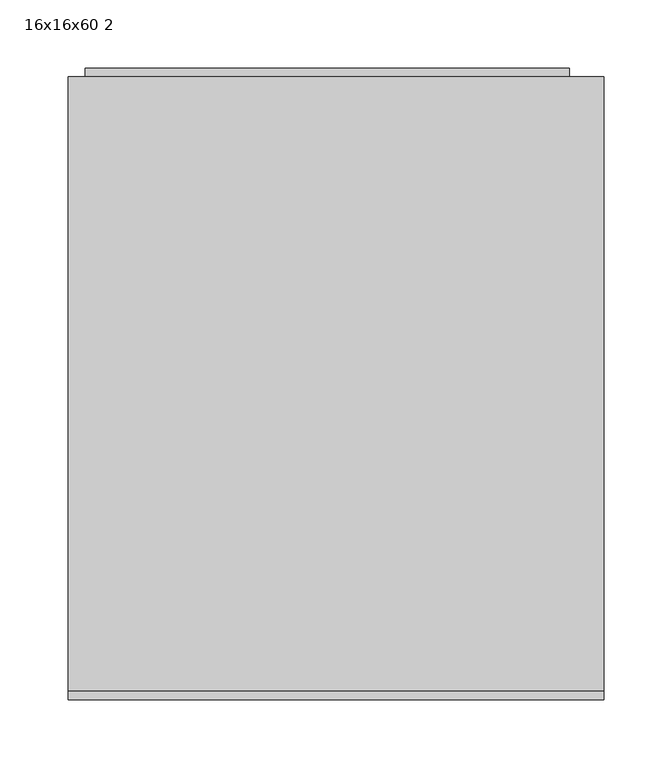
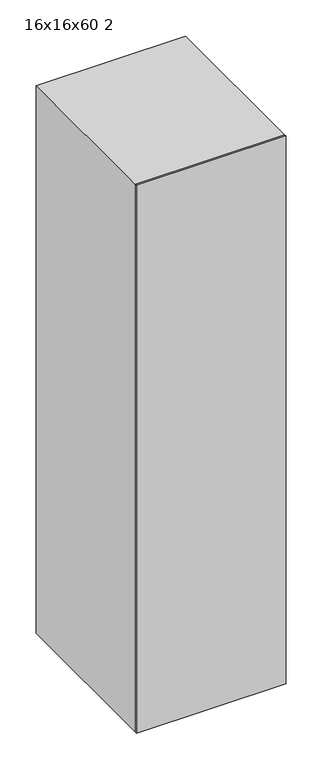
"""IFC4 building model written with IfcOpenShell, lengths in millimetres: furniture geometry, 16x16x60 2."""

from ifc_helpers import new_model, si_unit, point, frame, frame_2d, origin, origin_with_axes, place, context, project, spatial, polyline, circle_curve, trimmed, segment, composite_curve, outline, extrude, source, transform, mapped, element, save
from ifc_brep_helpers import plane_surface, cylinder_surface, revolved_surface, advanced_brep


def furniture_16x16x60_2_038925af(model_context):
    return source(origin(), model_context, "Body", "SolidModel", [
        extrude(outline(polyline([(1498.6, 177.8), (1498.6, -177.8), (0.0, -177.8), (0.0, 177.8), (1498.6, 177.8)]), holes=[polyline([(1375.3615171, 76.2), (1362.6615171, 76.2), (1362.6615171, -76.2), (1375.3615171, -76.2), (1375.3615171, 76.2)]), polyline([(1349.9615171, 76.2), (1337.2615171, 76.2), (1337.2615171, -76.2), (1349.9615171, -76.2), (1349.9615171, 76.2)]), polyline([(1324.5615171, 76.2), (1311.8615171, 76.2), (1311.8615171, -76.2), (1324.5615171, -76.2), (1324.5615171, 76.2)])]), frame((0.0, 298.45, 0.0), z_axis=(0.0, 1.0, 0.0), x_axis=(0.0, 0.0, 1.0)), (0.0, 0.0, 1.0), 6.35),
        extrude(outline(polyline([(1524.0, 203.2), (1524.0, -190.5), (0.0, -190.5), (0.0, 203.2), (1524.0, 203.2)]), holes=[polyline([(76.2, -177.8), (1498.6, -177.8), (1498.6, 177.8), (76.2, 177.8), (76.2, -177.8)])]), frame((0.0, -146.05, 0.0), z_axis=(0.0, 1.0, 0.0), x_axis=(0.0, 0.0, 1.0)), (0.0, 0.0, 1.0), 450.85),
        extrude(outline(polyline([(203.2, -146.05), (203.2, -152.4), (-190.5, -152.4), (-190.5, -146.05), (203.2, -146.05)])), origin_with_axes(), (0.0, 0.0, 1.0), 1524.0),
        extrude(outline(polyline([(340.1012595, -13.8620087), (365.1104902, -13.8620087), (365.1104902, -15.8769126), (361.782846, -18.6580905), (358.8581826, -23.2404703), (355.9029902, -23.2404703), (357.4813316, -19.9494607), (359.5908749, -16.9881626), (340.1012595, -16.9881626), (340.1012595, -13.8620087)])), frame((0.0, 304.8, 0.0), z_axis=(0.0, 1.0, 0.0), x_axis=(0.0, 0.0, 1.0)), (0.0, 0.0, 1.0), 3.175),
        extrude(outline(polyline([(352.4043845, -6.4373933), (342.0917402, -3.9462395), (339.7104902, 1.7687605), (341.0812354, 6.3450345), (345.2392643, 9.0651547), (352.4043845, 9.9749143), (358.2811874, 9.4070778), (361.9812835, 7.9416932), (364.3045287, 5.4200105), (365.1104902, 1.7687605), (363.7489037, -2.7891962), (359.6000335, -5.5184751), (352.4043845, -6.4373933)]), holes=[polyline([(352.4104902, -3.3112395), (360.3113556, -1.7970087), (361.9843364, 1.7321259), (360.0854422, 5.432222), (352.4104902, 6.8487605), (344.6531104, 5.3833759), (342.8366441, 1.7687605), (344.6470047, -1.8458549), (352.4104902, -3.3112395)])]), frame((0.0, 304.8, 0.0), z_axis=(0.0, 1.0, 0.0), x_axis=(0.0, 0.0, 1.0)), (0.0, 0.0, 1.0), 3.175),
        extrude(outline(polyline([(340.1012595, 24.4333759), (365.1104902, 24.4333759), (365.1104902, 22.418472), (361.782846, 19.6372942), (358.8581826, 15.0549143), (355.9029902, 15.0549143), (357.4813316, 18.345924), (359.5908749, 21.307222), (340.1012595, 21.307222), (340.1012595, 24.4333759)])), frame((0.0, 304.8, 0.0), z_axis=(0.0, 1.0, 0.0), x_axis=(0.0, 0.0, 1.0)), (0.0, 0.0, 1.0), 3.175),
        advanced_brep(
        [(-158.75, 57.15, 1105.5799451), (-165.1, 57.15, 1105.5799451), (-165.1, 95.25, 1105.5799451), (-158.75, 95.25, 1105.5799451), (-146.05, 62.3205445, 1105.5799451), (-158.75, 62.3205445, 1105.5799451), (-158.75, 90.0794555, 1105.5799451), (-146.05, 90.0794555, 1105.5799451), (-165.1, 63.5, 1105.5799451), (-146.05, 63.5, 1105.5799451), (-146.05, 88.9, 1105.5799451), (-165.1, 88.9, 1105.5799451)],
        [
            (0, 1),
            (1, 2, circle_curve(frame((-165.1, 76.2, 1105.5799451), z_axis=(1.0, 0.0, 0.0), x_axis=(0.0, 1.0, 0.0)), 19.05)),
            (2, 3),
            (3, 0, circle_curve(frame((-158.75, 76.2, 1105.5799451), z_axis=(-1.0, 0.0, 0.0), x_axis=(0.0, 1.0, 0.0)), 19.05)),
            (4, 5),
            (5, 6, circle_curve(frame((-158.75, 76.2, 1105.5799451), z_axis=(1.0, 0.0, 0.0), x_axis=(0.0, 1.0, 0.0)), 13.8794555)),
            (6, 7),
            (7, 4, circle_curve(frame((-146.05, 76.2, 1105.5799451), z_axis=(-1.0, 0.0, 0.0), x_axis=(0.0, 1.0, 0.0)), 13.8794555)),
            (8, 9),
            (9, 10, circle_curve(frame((-146.05, 76.2, 1105.5799451), z_axis=(1.0, 0.0, 0.0), x_axis=(0.0, 1.0, 0.0)), 12.7)),
            (10, 11),
            (11, 8, circle_curve(frame((-165.1, 76.2, 1105.5799451), z_axis=(-1.0, 0.0, 0.0), x_axis=(0.0, 1.0, 0.0)), 12.7)),
            (1, 2, circle_curve(frame((-165.1, 76.2, 1105.5799451), z_axis=(-1.0, 0.0, 0.0), x_axis=(0.0, -1.0, 0.0)), 19.05)),
            (11, 8, circle_curve(frame((-165.1, 76.2, 1105.5799451), z_axis=(1.0, 0.0, 0.0), x_axis=(0.0, -1.0, 0.0)), 12.7)),
            (0, 3, circle_curve(frame((-158.75, 76.2, 1105.5799451), z_axis=(-1.0, 0.0, 0.0), x_axis=(0.0, -1.0, 0.0)), 19.05)),
            (5, 6, circle_curve(frame((-158.75, 76.2, 1105.5799451), z_axis=(-1.0, 0.0, 0.0), x_axis=(0.0, -1.0, 0.0)), 13.8794555)),
            (4, 7, circle_curve(frame((-146.05, 76.2, 1105.5799451), z_axis=(-1.0, 0.0, 0.0), x_axis=(0.0, -1.0, 0.0)), 13.8794555)),
            (9, 10, circle_curve(frame((-146.05, 76.2, 1105.5799451), z_axis=(-1.0, 0.0, 0.0), x_axis=(0.0, -1.0, 0.0)), 12.7)),
        ],
        [
            cylinder_surface(frame((0.0, 76.2, 1105.5799451), z_axis=(1.0, 0.0, 0.0), x_axis=(0.0, 1.0, 0.0)), 19.05),
            cylinder_surface(frame((0.0, 76.2, 1105.5799451), z_axis=(1.0, 0.0, 0.0), x_axis=(0.0, 1.0, 0.0)), 13.8794555),
            revolved_surface(polyline([(-146.05, 88.9, 1105.5799451), (-165.1, 88.9, 1105.5799451)]), (0.0, 76.2, 1105.5799451), (1.0, 0.0, 0.0)),
            plane_surface(frame((-165.1, 76.2, 1105.5799451), z_axis=(-1.0, 0.0, 0.0), x_axis=(0.0, -1.0, 0.0))),
            cylinder_surface(frame((0.0, 76.2, 1105.5799451), z_axis=(1.0, 0.0, 0.0), x_axis=(0.0, -1.0, 0.0)), 19.05),
            plane_surface(frame((-158.75, 76.2, 1105.5799451), z_axis=(1.0, 0.0, 0.0), x_axis=(0.0, -1.0, 0.0))),
            cylinder_surface(frame((0.0, 76.2, 1105.5799451), z_axis=(1.0, 0.0, 0.0), x_axis=(0.0, -1.0, 0.0)), 13.8794555),
            plane_surface(frame((-146.05, 76.2, 1105.5799451), z_axis=(1.0, 0.0, 0.0), x_axis=(0.0, -1.0, 0.0))),
            revolved_surface(polyline([(-146.05, 63.5, 1105.5799451), (-165.1, 63.5, 1105.5799451)]), (0.0, 76.2, 1105.5799451), (1.0, 0.0, 0.0)),
        ],
        [
            (0, [[1, 2, 3, 4]]),
            (1, [[5, 6, 7, 8]]),
            (2, [[9, 10, 11, 12]]),
            (3, [[-2, 13], [-12, 14]]),
            (4, [[-3, -13, -1, 15]]),
            (5, [[-4, -15], [-6, 16]]),
            (6, [[-7, -16, -5, 17]]),
            (7, [[-8, -17], [-10, 18]]),
            (8, [[-11, -18, -9, -14]]),
        ],
    ),
        advanced_brep(
        [(158.75, 63.5, 1105.5799451), (177.8, 63.5, 1105.5799451), (177.8, 88.9, 1105.5799451), (158.75, 88.9, 1105.5799451), (171.45, 62.3205445, 1105.5799451), (158.75, 62.3205445, 1105.5799451), (158.75, 90.0794555, 1105.5799451), (171.45, 90.0794555, 1105.5799451), (177.8, 57.15, 1105.5799451), (171.45, 57.15, 1105.5799451), (171.45, 95.25, 1105.5799451), (177.8, 95.25, 1105.5799451)],
        [
            (0, 1),
            (1, 2, circle_curve(frame((177.8, 76.2, 1105.5799451), z_axis=(1.0, 0.0, 0.0), x_axis=(0.0, 1.0, 0.0)), 12.7)),
            (2, 3),
            (3, 0, circle_curve(frame((158.75, 76.2, 1105.5799451), z_axis=(-1.0, 0.0, 0.0), x_axis=(0.0, 1.0, 0.0)), 12.7)),
            (4, 5),
            (5, 6, circle_curve(frame((158.75, 76.2, 1105.5799451), z_axis=(1.0, 0.0, 0.0), x_axis=(0.0, 1.0, 0.0)), 13.8794555)),
            (6, 7),
            (7, 4, circle_curve(frame((171.45, 76.2, 1105.5799451), z_axis=(-1.0, 0.0, 0.0), x_axis=(0.0, 1.0, 0.0)), 13.8794555)),
            (8, 9),
            (9, 10, circle_curve(frame((171.45, 76.2, 1105.5799451), z_axis=(1.0, 0.0, 0.0), x_axis=(0.0, 1.0, 0.0)), 19.05)),
            (10, 11),
            (11, 8, circle_curve(frame((177.8, 76.2, 1105.5799451), z_axis=(-1.0, 0.0, 0.0), x_axis=(0.0, 1.0, 0.0)), 19.05)),
            (2, 1, circle_curve(frame((177.8, 76.2, 1105.5799451), z_axis=(1.0, 0.0, 0.0), x_axis=(0.0, -1.0, 0.0)), 12.7)),
            (0, 3, circle_curve(frame((158.75, 76.2, 1105.5799451), z_axis=(-1.0, 0.0, 0.0), x_axis=(0.0, -1.0, 0.0)), 12.7)),
            (5, 6, circle_curve(frame((158.75, 76.2, 1105.5799451), z_axis=(-1.0, 0.0, 0.0), x_axis=(0.0, -1.0, 0.0)), 13.8794555)),
            (4, 7, circle_curve(frame((171.45, 76.2, 1105.5799451), z_axis=(-1.0, 0.0, 0.0), x_axis=(0.0, -1.0, 0.0)), 13.8794555)),
            (9, 10, circle_curve(frame((171.45, 76.2, 1105.5799451), z_axis=(-1.0, 0.0, 0.0), x_axis=(0.0, -1.0, 0.0)), 19.05)),
            (8, 11, circle_curve(frame((177.8, 76.2, 1105.5799451), z_axis=(-1.0, 0.0, 0.0), x_axis=(0.0, -1.0, 0.0)), 19.05)),
        ],
        [
            revolved_surface(polyline([(177.8, 88.9, 1105.5799451), (158.75, 88.9, 1105.5799451)]), (0.0, 76.2, 1105.5799451), (1.0, 0.0, 0.0)),
            cylinder_surface(frame((0.0, 76.2, 1105.5799451), z_axis=(1.0, 0.0, 0.0), x_axis=(0.0, 1.0, 0.0)), 13.8794555),
            cylinder_surface(frame((0.0, 76.2, 1105.5799451), z_axis=(1.0, 0.0, 0.0), x_axis=(0.0, 1.0, 0.0)), 19.05),
            revolved_surface(polyline([(177.8, 63.5, 1105.5799451), (158.75, 63.5, 1105.5799451)]), (0.0, 76.2, 1105.5799451), (1.0, 0.0, 0.0)),
            plane_surface(frame((158.75, 76.2, 1105.5799451), z_axis=(-1.0, 0.0, 0.0), x_axis=(0.0, -1.0, 0.0))),
            cylinder_surface(frame((0.0, 76.2, 1105.5799451), z_axis=(1.0, 0.0, 0.0), x_axis=(0.0, -1.0, 0.0)), 13.8794555),
            plane_surface(frame((171.45, 76.2, 1105.5799451), z_axis=(-1.0, 0.0, 0.0), x_axis=(0.0, -1.0, 0.0))),
            cylinder_surface(frame((0.0, 76.2, 1105.5799451), z_axis=(1.0, 0.0, 0.0), x_axis=(0.0, -1.0, 0.0)), 19.05),
            plane_surface(frame((177.8, 76.2, 1105.5799451), z_axis=(1.0, 0.0, 0.0), x_axis=(0.0, -1.0, 0.0))),
        ],
        [
            (0, [[1, 2, 3, 4]]),
            (1, [[5, 6, 7, 8]]),
            (2, [[9, 10, 11, 12]]),
            (3, [[-3, 13, -1, 14]]),
            (4, [[-6, 15], [-4, -14]]),
            (5, [[-7, -15, -5, 16]]),
            (6, [[-10, 17], [-8, -16]]),
            (7, [[-11, -17, -9, 18]]),
            (8, [[-12, -18], [-2, -13]]),
        ],
    ),
        extrude(outline(polyline([(177.8, 311.15), (177.8, 279.4), (-177.8, 279.4), (-177.8, 311.15), (177.8, 311.15)])), frame((0.0, 0.0, 431.8), z_axis=(0.0, 0.0, 1.0), x_axis=(1.0, 0.0, 0.0)), (0.0, 0.0, 1.0), 6.35),
        extrude(outline(polyline([(177.8, 279.4), (177.8, 273.05), (-177.8, 273.05), (-177.8, 279.4), (177.8, 279.4)])), frame((0.0, 0.0, 76.2), z_axis=(0.0, 0.0, 1.0), x_axis=(1.0, 0.0, 0.0)), (0.0, 0.0, 1.0), 361.95),
        extrude(outline(composite_curve([segment(trimmed(circle_curve(frame_2d((76.2, 1105.5799451)), 12.7), [point((88.9, 1105.5799451))], [point((63.5, 1105.5799451))], False, "CARTESIAN"), True, "CONTINUOUS"), segment(trimmed(circle_curve(frame_2d((76.2, 1105.5799451)), 12.7), [point((63.5, 1105.5799451))], [point((88.9, 1105.5799451))], False, "CARTESIAN"), True, "CONTINUOUS")], self_intersect=False)), frame((-177.8, 0.0, 0.0), z_axis=(1.0, 0.0, 0.0), x_axis=(0.0, 1.0, 0.0)), (0.0, 0.0, 1.0), 355.6),
        extrude(outline(polyline([(165.1, 298.45), (165.1, -146.05), (-177.8, -146.05), (-177.8, 298.45), (165.1, 298.45)])), frame((0.0, 0.0, 1320.8), z_axis=(0.0, 0.0, 1.0), x_axis=(1.0, 0.0, 0.0)), (0.0, 0.0, 1.0), 6.35),
        extrude(outline(polyline([(177.8, 298.45), (177.8, -146.05), (-177.8, -146.05), (-177.8, 298.45), (177.8, 298.45)])), frame((0.0, 0.0, 438.15), z_axis=(0.0, 0.0, 1.0), x_axis=(1.0, 0.0, 0.0)), (0.0, 0.0, 1.0), 19.05),
    ])


if __name__ == "__main__":
    model = new_model("IFC4")
    model_context = context("Model", 3, world=origin())
    ifc_project = project(units=[si_unit("LENGTHUNIT", "METRE", prefix="MILLI")], contexts=[model_context])
    site = spatial("IfcSite", under=ifc_project)
    building = spatial("IfcBuilding", under=site)
    placement = place(None, origin())
    furniture_16x16x60_2_shape = furniture_16x16x60_2_038925af(model_context)
    element("IfcFurniture", 1, ObjectType="16x16x60 2", at=placement, inside=building, context=model_context, shape_type="MappedRepresentation", body=[
        mapped(furniture_16x16x60_2_shape, transform((0.0, 0.0, 0.0), x_axis=(1.0, 0.0, 0.0), y_axis=(0.0, 1.0, 0.0), z_axis=(0.0, 0.0, 1.0))),
    ])
    save(model, "model.ifc")
